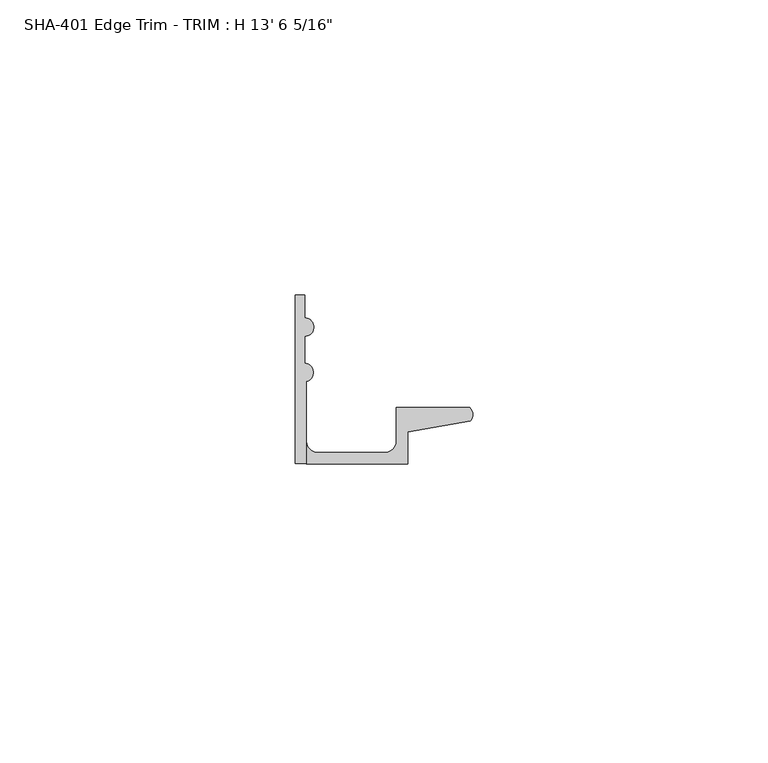
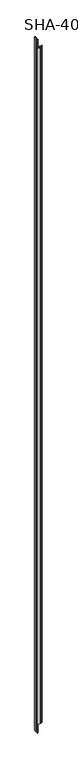
"""IFC4 building model written with IfcOpenShell, lengths in millimetres: proxy geometry."""

from ifc_helpers import new_model, si_unit, frame, origin, place, context, project, spatial, polyline, circle_curve, source, transform, mapped, element, save
from ifc_brep_helpers import plane_surface, cylinder_surface, revolved_surface, advanced_brep


def proxy_a439af00(model_context):
    return source(origin(), model_context, "Body", "AdvancedBrep", [
        advanced_brep(
        [(0.0, 0.0, 4122.7375), (1.905, 0.0, 4122.7375), (1.905, 13.9230434, 4122.7375), (1.5748, 17.018, 4122.7375), (1.5748, 21.5549919, 4122.7375), (1.5748, 24.7045919, 4122.7375), (1.5748, 28.575, 4122.7375), (0.0, 28.575, 4122.7375), (0.0, 13.8696178, 4122.7375), (1.905, 0.0, 0.0), (0.0, 0.0, 0.0), (0.0, 13.8696178, 0.0), (0.0, 28.575, 0.0), (1.5748, 28.575, 0.0), (1.5748, 24.7045919, 0.0), (1.5748, 21.5549919, 0.0), (1.5748, 17.018, 0.0), (1.905, 13.9230434, 0.0), (1.905, 0.0, 4071.9375), (19.0246, 0.0, 4071.9375), (19.0246, 5.392657, 4071.9375), (29.6006869, 7.2036308, 4071.9375), (29.5346031, 9.525, 4071.9375), (17.1196, 9.525, 4071.9375), (17.1196, 3.81, 4071.9375), (15.2146, 1.905, 4071.9375), (3.81, 1.905, 4071.9375), (1.905, 3.81, 4071.9375), (1.905, 3.81, 50.8), (3.81, 1.905, 50.8), (15.2146, 1.905, 50.8), (17.1196, 3.81, 50.8), (17.1196, 9.525, 50.8), (29.5346031, 9.525, 50.8), (29.6006869, 7.2036308, 50.8), (19.0246, 5.392657, 50.8), (19.0246, 0.0, 50.8), (1.905, 0.0, 50.8)],
        [
            (0, 1),
            (1, 2),
            (2, 3, circle_curve(frame((1.4838146, 15.4432, 4122.7375), z_axis=(0.0, 0.0, 1.0), x_axis=(0.0, -1.0, 0.0)), 1.5774262)),
            (3, 4),
            (4, 5, circle_curve(frame((1.5748, 23.1297919, 4122.7375), z_axis=(0.0, 0.0, 1.0), x_axis=(0.0, -1.0, 0.0)), 1.5748)),
            (5, 6),
            (6, 7),
            (7, 8),
            (8, 0),
            (9, 10),
            (10, 11),
            (11, 12),
            (12, 13),
            (13, 14),
            (14, 15, circle_curve(frame((1.5748, 23.1297919, 0.0), z_axis=(0.0, 0.0, -1.0), x_axis=(0.0, -1.0, 0.0)), 1.5748)),
            (15, 16),
            (16, 17, circle_curve(frame((1.4838146, 15.4432, 0.0), z_axis=(0.0, 0.0, -1.0), x_axis=(0.0, -1.0, 0.0)), 1.5774262)),
            (17, 9),
            (18, 19),
            (19, 20),
            (20, 21),
            (21, 22, circle_curve(frame((28.4438454, 8.3323235, 4071.9375), z_axis=(0.0, 0.0, 1.0), x_axis=(0.0, -1.0, 0.0)), 1.6162393)),
            (22, 23),
            (23, 24),
            (24, 25, circle_curve(frame((15.2146, 3.81, 4071.9375), z_axis=(0.0, 0.0, -1.0), x_axis=(0.0, -1.0, 0.0)), 1.905)),
            (25, 26),
            (26, 27, circle_curve(frame((3.81, 3.81, 4071.9375), z_axis=(0.0, 0.0, -1.0), x_axis=(0.0, -1.0, 0.0)), 1.905)),
            (27, 18),
            (28, 29, circle_curve(frame((3.81, 3.81, 50.8), z_axis=(0.0, 0.0, 1.0), x_axis=(0.0, -1.0, 0.0)), 1.905)),
            (29, 30),
            (30, 31, circle_curve(frame((15.2146, 3.81, 50.8), z_axis=(0.0, 0.0, 1.0), x_axis=(0.0, -1.0, 0.0)), 1.905)),
            (31, 32),
            (32, 33),
            (33, 34, circle_curve(frame((28.4438454, 8.3323235, 50.8), z_axis=(0.0, 0.0, -1.0), x_axis=(0.0, -1.0, 0.0)), 1.6162393)),
            (34, 35),
            (35, 36),
            (36, 37),
            (37, 28),
            (20, 35),
            (34, 21),
            (19, 36),
            (9, 37),
            (18, 1),
            (0, 10),
            (8, 11),
            (7, 12),
            (6, 13),
            (5, 14),
            (4, 15),
            (3, 16),
            (2, 17),
            (27, 28),
            (26, 29),
            (25, 30),
            (24, 31),
            (23, 32),
            (22, 33),
        ],
        [
            plane_surface(frame((29.6006869, 7.2036308, 4122.7375), z_axis=(0.0, 0.0, 1.0000000000000002), x_axis=(-0.9856543593991558, -0.16877643140391388, 0.0))),
            plane_surface(frame((29.6006869, 7.2036308, 0.0), z_axis=(0.0, 0.0, -1.0000000000000002), x_axis=(0.9856543593991558, 0.16877643140391388, 0.0))),
            plane_surface(frame((1.905, 9.525, 4071.9375), z_axis=(0.0, 0.0, 1.0), x_axis=(0.0, -1.0, 0.0))),
            plane_surface(frame((30.1393415, 9.525, 50.8), z_axis=(0.0, 0.0, -1.0), x_axis=(0.0, -1.0, 0.0))),
            plane_surface(frame((29.6006869, 7.2036308, 4122.7375), z_axis=(0.16877643140391388, -0.9856543593991558, 0.0), x_axis=(0.0, 0.0, -1.0))),
            plane_surface(frame((19.0246, 5.392657, 4122.7375), z_axis=(1.0, 0.0, 0.0), x_axis=(0.0, 0.0, -1.0))),
            plane_surface(frame((19.0246, 0.0, 4122.7375), z_axis=(0.0, -1.0, 0.0), x_axis=(0.0, 0.0, -1.0))),
            plane_surface(frame((0.0, 0.0, 4122.7375), z_axis=(-1.0, 0.0, 0.0), x_axis=(0.0, 0.0, -1.0))),
            plane_surface(frame((0.0, 13.8696178, 4122.7375), z_axis=(-1.0, 0.0, 0.0), x_axis=(0.0, 0.0, -1.0))),
            plane_surface(frame((0.0, 28.575, 4122.7375), z_axis=(0.0, 1.0, 0.0), x_axis=(0.0, 0.0, -1.0))),
            plane_surface(frame((1.5748, 28.575, 4122.7375), z_axis=(1.0, 0.0, 0.0), x_axis=(0.0, 0.0, -1.0))),
            cylinder_surface(frame((1.5748, 23.1297919, 0.0), z_axis=(0.0, 0.0, 1.0), x_axis=(0.0, -1.0, 0.0)), 1.5748),
            plane_surface(frame((1.5748, 21.5549919, 4122.7375), z_axis=(1.0, 0.0, 0.0), x_axis=(0.0, 0.0, -1.0))),
            cylinder_surface(frame((1.4838146, 15.4432, 0.0), z_axis=(0.0, 0.0, 1.0), x_axis=(0.0, -1.0, 0.0)), 1.5774262),
            plane_surface(frame((1.905, 13.9230434, 4122.7375), z_axis=(1.0, 0.0, 0.0), x_axis=(0.0, 0.0, -1.0))),
            revolved_surface(polyline([(3.81, 1.905, 50.8), (3.81, 1.905, 4071.9375)]), (3.81, 3.81, 0.0), (0.0, 0.0, -1.0)),
            plane_surface(frame((3.81, 1.905, 4122.7375), z_axis=(0.0, 1.0, 0.0), x_axis=(0.0, 0.0, -1.0))),
            revolved_surface(polyline([(15.2146, 1.905, 50.8), (15.2146, 1.905, 4071.9375)]), (15.2146, 3.81, 0.0), (0.0, 0.0, -1.0)),
            plane_surface(frame((17.1196, 3.81, 4122.7375), z_axis=(-1.0, 0.0, 0.0), x_axis=(0.0, 0.0, -1.0))),
            plane_surface(frame((17.1196, 9.525, 4122.7375), z_axis=(0.0, 1.0, 0.0), x_axis=(0.0, 0.0, -1.0))),
            cylinder_surface(frame((28.4438454, 8.3323235, 0.0), z_axis=(0.0, 0.0, 1.0), x_axis=(0.0, -1.0, 0.0)), 1.6162393),
        ],
        [
            (0, [[1, 2, 3, 4, 5, 6, 7, 8, 9]]),
            (1, [[10, 11, 12, 13, 14, 15, 16, 17, 18]]),
            (2, [[19, 20, 21, 22, 23, 24, 25, 26, 27, 28]]),
            (3, [[29, 30, 31, 32, 33, 34, 35, 36, 37, 38]]),
            (4, [[-21, 39, -35, 40]]),
            (5, [[-20, 41, -36, -39]]),
            (6, [[-10, 42, -37, -41, -19, 43, -1, 44]]),
            (7, [[45, -11, -44, -9]]),
            (8, [[46, -12, -45, -8]]),
            (9, [[47, -13, -46, -7]]),
            (10, [[48, -14, -47, -6]]),
            (11, [[49, -15, -48, -5]]),
            (12, [[50, -16, -49, -4]]),
            (13, [[51, -17, -50, -3]]),
            (14, [[-2, -43, -28, 52, -38, -42, -18, -51]]),
            (15, [[-27, 53, -29, -52]]),
            (16, [[-26, 54, -30, -53]]),
            (17, [[-25, 55, -31, -54]]),
            (18, [[-24, 56, -32, -55]]),
            (19, [[-23, 57, -33, -56]]),
            (20, [[-34, -57, -22, -40]]),
        ],
    ),
    ])


if __name__ == "__main__":
    model = new_model("IFC4")
    model_context = context("Model", 3, world=origin())
    ifc_project = project(units=[si_unit("LENGTHUNIT", "METRE", prefix="MILLI")], contexts=[model_context])
    site = spatial("IfcSite", under=ifc_project)
    building = spatial("IfcBuilding", under=site)
    placement = place(None, origin())
    proxy_shape = proxy_a439af00(model_context)
    element("IfcBuildingElementProxy", 1, Name="SHA-401 Edge Trim - TRIM : H 13' 6 5/16\"", ObjectType="SHA-401 Edge Trim - TRIM : H 13' 6 5/16\"", at=placement, inside=building, context=model_context, shape_type="MappedRepresentation", body=[
        mapped(proxy_shape, transform((0.0, 0.0, 0.0), x_axis=(1.0, 0.0, 0.0), y_axis=(0.0, 1.0, 0.0), z_axis=(0.0, 0.0, 1.0))),
    ])
    save(model, "model.ifc")
